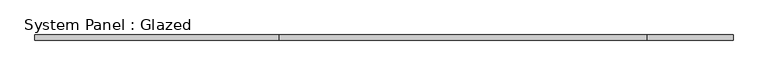
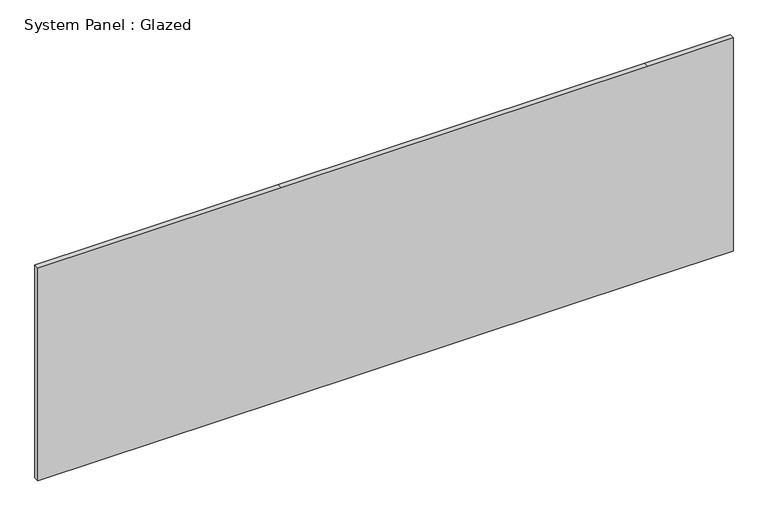
"""IFC4 building model written with IfcOpenShell, lengths in millimetres: plate geometry, System Panel : Glazed."""

from ifc_helpers import new_model, si_unit, frame, origin, place, context, project, spatial, polyline, outline, extrude, source, transform, mapped, element, save


def system_panel_glazed_922f62a9(model_context):
    return source(origin(), model_context, "Body", "SweptSolid", [
        extrude(outline(polyline([(0.0, -1733.3575378), (0.0, -520.8924622), (0.0, 1307.9075378), (0.0, 1733.3575378), (1123.95, 1733.3575378), (1123.95, 1307.9075378), (1123.95, -520.8924622), (1123.95, -1733.3575378), (0.0, -1733.3575378)])), frame((0.0, 19.05, 0.0), z_axis=(0.0, 1.0, 0.0), x_axis=(0.0, 0.0, 1.0)), (0.0, 0.0, 1.0), 25.4),
    ])


if __name__ == "__main__":
    model = new_model("IFC4")
    model_context = context("Model", 3, world=origin())
    ifc_project = project(units=[si_unit("LENGTHUNIT", "METRE", prefix="MILLI")], contexts=[model_context])
    site = spatial("IfcSite", under=ifc_project)
    building = spatial("IfcBuilding", under=site)
    placement = place(None, origin())
    system_panel_glazed_shape = system_panel_glazed_922f62a9(model_context)
    element("IfcPlate", 1, ObjectType="System Panel : Glazed", at=placement, inside=building, context=model_context, shape_type="MappedRepresentation", body=[
        mapped(system_panel_glazed_shape, transform((0.0, 0.0, 0.0), x_axis=(1.0, 0.0, 0.0), y_axis=(0.0, 1.0, 0.0), z_axis=(0.0, 0.0, 1.0))),
    ])
    save(model, "model.ifc")
